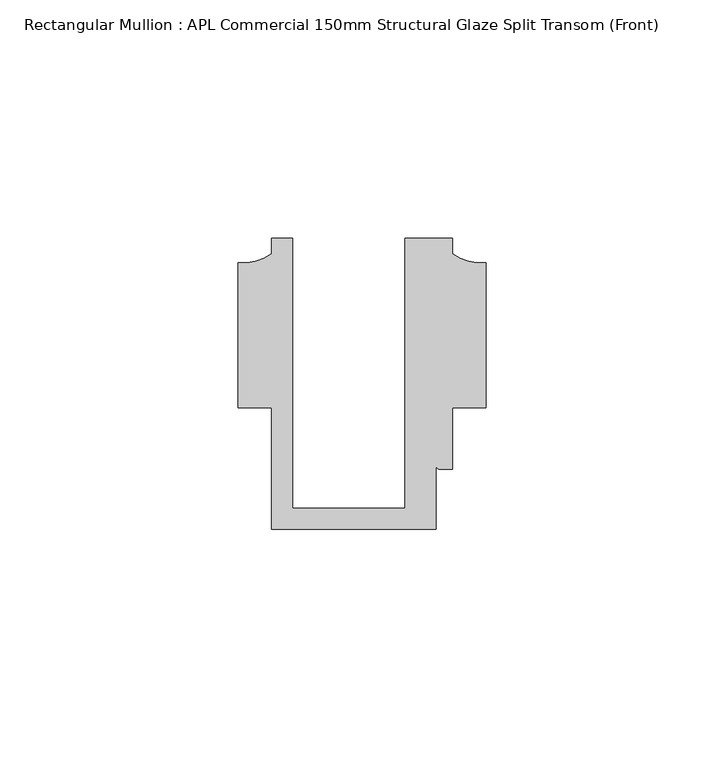
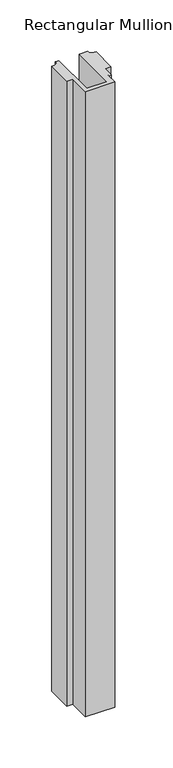
"""IFC4 building model written with IfcOpenShell, lengths in millimetres: member geometry, Rectangular Mullion : APL Commercial 150mm Structural Glaze Split Transom (Front)."""

from ifc_helpers import new_model, si_unit, point, frame, frame_2d, origin, place, context, project, spatial, polyline, circle_curve, trimmed, segment, composite_curve, outline, extrude, source, transform, mapped, element, save


def rectangular_mullion_apl_commercial_150mm_structural_glaze_8357b90f(model_context):
    return source(origin(), model_context, "Body", "SweptSolid", [
        extrude(outline(composite_curve([segment(polyline([(-23.5949354, 20.5), (-23.5949354, -36.1008577), (0.0, -36.1008577), (0.0, 20.5), (10.0000029, 20.5), (10.0000029, 17.3121423)]), True, "CONTINUOUS"), segment(trimmed(circle_curve(frame_2d((16.1098048, 25.7978024)), 10.4563907), [point((10.0000029, 17.3121423))], [point((16.999942, 15.3793686))], True, "CARTESIAN"), True, "CONTINUOUS"), segment(polyline([(16.999942, 15.3793686), (16.999942, -15.0004617), (10.0000029, -15.0004617), (10.0000029, -28.0002131), (7.5000029, -28.0002131)]), True, "CONTINUOUS"), segment(trimmed(circle_curve(frame_2d((7.5000029, -27.0002131)), 1.0), [point((7.5000029, -28.0002131))], [point((6.5000029, -27.0002131))], False, "CARTESIAN"), True, "CONTINUOUS"), segment(polyline([(6.5000029, -27.0002131), (6.5000029, -40.499932), (-28.0000482, -40.499932), (-28.0000482, -15.001276), (-34.9999873, -15.001276), (-34.9999873, 15.3795682)]), True, "CONTINUOUS"), segment(trimmed(circle_curve(frame_2d((-34.10985, 25.7980019)), 10.4563907), [point((-34.9999873, 15.3795682))], [point((-28.0000482, 17.3123419))], True, "CARTESIAN"), True, "CONTINUOUS"), segment(polyline([(-28.0000482, 17.3123419), (-28.0000482, 20.5), (-23.5949354, 20.5)]), True, "CONTINUOUS")], self_intersect=False)), frame((0.0, 0.0, -775.3627689), z_axis=(0.0, 0.0, 1.0), x_axis=(1.0, 0.0, 0.0)), (0.0, 0.0, 1.0), 775.3627689),
    ])


if __name__ == "__main__":
    model = new_model("IFC4")
    model_context = context("Model", 3, world=origin())
    ifc_project = project(units=[si_unit("LENGTHUNIT", "METRE", prefix="MILLI")], contexts=[model_context])
    site = spatial("IfcSite", under=ifc_project)
    building = spatial("IfcBuilding", under=site)
    placement = place(None, origin())
    rectangular_mullion_apl_commercial_150mm_structural_glaze_shape = rectangular_mullion_apl_commercial_150mm_structural_glaze_8357b90f(model_context)
    element("IfcMember", 1, ObjectType="Rectangular Mullion : APL Commercial 150mm Structural Glaze Split Transom (Front)", at=placement, inside=building, context=model_context, shape_type="MappedRepresentation", body=[
        mapped(rectangular_mullion_apl_commercial_150mm_structural_glaze_shape, transform((0.0, 0.0, 0.0), x_axis=(1.0, 0.0, 0.0), y_axis=(0.0, 1.0, 0.0), z_axis=(0.0, 0.0, 1.0))),
    ])
    save(model, "model.ifc")
